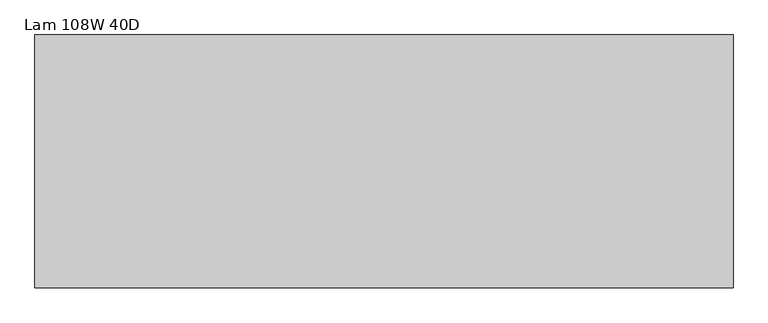
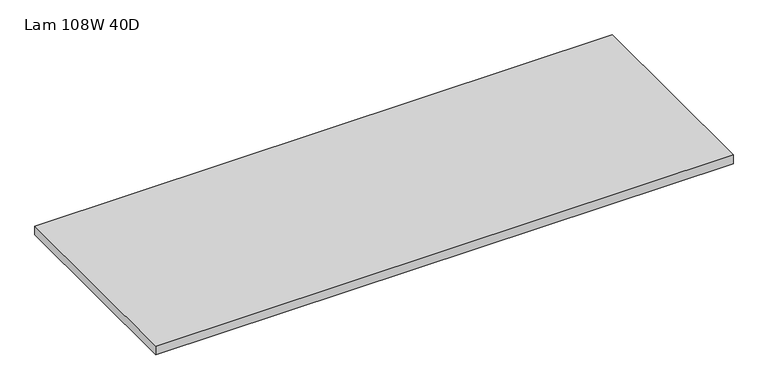
"""IFC4 building model written with IfcOpenShell, lengths in millimetres: furniture geometry, Lam 108W 40D."""

from ifc_helpers import new_model, si_unit, frame, origin, place, context, project, spatial, polyline, outline, extrude, source, transform, mapped, element, save


def lam_108w_40d_371466e4(model_context):
    return source(origin(), model_context, "Body", "SweptSolid", [
        extrude(outline(polyline([(2833.37, 508.0), (2833.37, -508.0), (26.67, -508.0), (26.67, 508.0), (2833.37, 508.0)])), frame((0.0, 0.0, 952.5), z_axis=(0.0, 0.0, 1.0), x_axis=(1.0, 0.0, 0.0)), (0.0, 0.0, 1.0), 44.704),
    ])


if __name__ == "__main__":
    model = new_model("IFC4")
    model_context = context("Model", 3, world=origin())
    ifc_project = project(units=[si_unit("LENGTHUNIT", "METRE", prefix="MILLI")], contexts=[model_context])
    site = spatial("IfcSite", under=ifc_project)
    building = spatial("IfcBuilding", under=site)
    placement = place(None, origin())
    lam_108w_40d_shape = lam_108w_40d_371466e4(model_context)
    element("IfcFurniture", 1, ObjectType="Lam 108W 40D", at=placement, inside=building, context=model_context, shape_type="MappedRepresentation", body=[
        mapped(lam_108w_40d_shape, transform((0.0, 0.0, 0.0), x_axis=(1.0, 0.0, 0.0), y_axis=(0.0, 1.0, 0.0), z_axis=(0.0, 0.0, 1.0))),
    ])
    save(model, "model.ifc")
